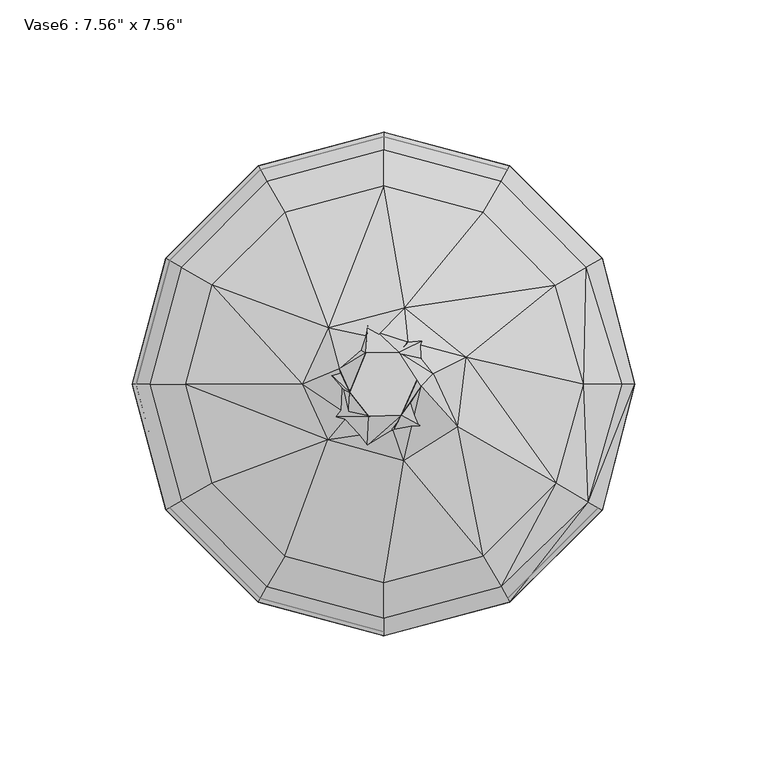
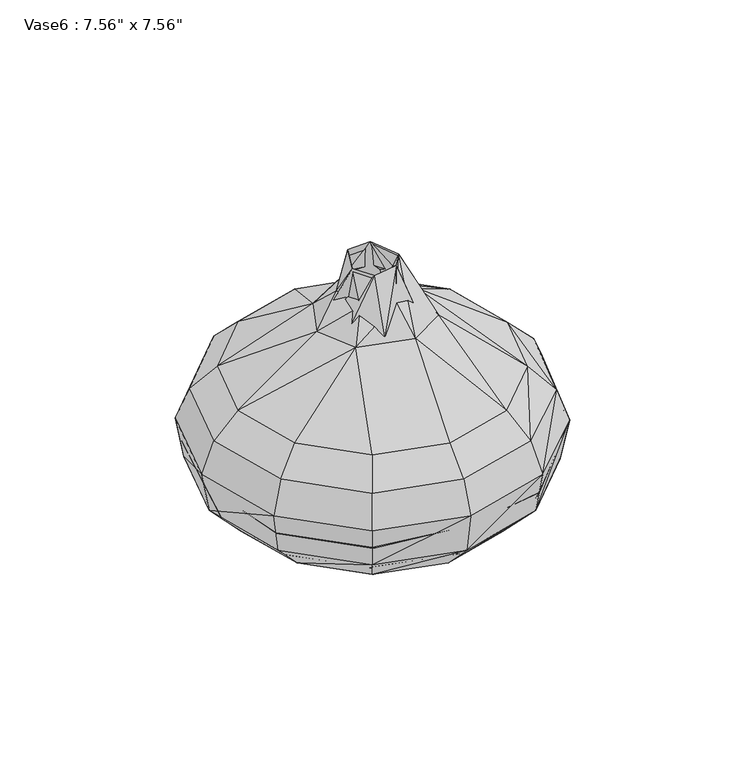
"""IFC4 building model written with IfcOpenShell, lengths in millimetres: furniture geometry."""

from ifc_helpers import new_model, si_unit, origin, place, context, project, spatial, triangles, source, transform, mapped, element, save


def furniture_26366ec1(model_context):
    return source(origin(), model_context, "Body", "Tessellation", [
        triangles([(0.020366, -73.258964, 13.1952111), (0.020366, -91.3290547, 31.6604494), (-36.361005, -63.0306004, 12.8936046), (-0.5828432, -37.7974067, 0.0), (36.4207261, -63.1060091, 12.9690054), (45.695076, -79.1402638, 31.6604494), (-45.6543445, -79.1402638, 31.6604494), (-63.166416, -36.4663833, 12.9690054), (-27.1620571, -27.1166361, 0.0), (-31.2337222, -54.1332646, 10.02836), (0.020366, -62.653593, 10.1037608), (10.4447329, -34.4305519, 2.262036), (-54.4198796, -31.4145046, 10.1791616), (-41.8088852, -72.4295543, 24.3128624), (-34.4005756, -10.6299721, 2.262036), (0.020366, -84.3921417, 25.3684756), (31.4252553, -54.4348678, 10.1791616), (41.774208, -72.4295543, 24.3128624), (58.3814746, -33.6765395, 11.9887906), (42.9052254, -20.8845333, 4.8256769), (72.9529053, -42.095273, 25.2930782), (49.2389277, -30.3588868, 5.7304909), (68.2780317, -39.4562353, 16.3203326), (78.7588009, -45.4883299, 30.6802335), (37.7025452, -0.1000079, 0.0), (-79.0950631, -45.7145289, 31.6604494), (-73.2891766, -0.0246068, 13.1952111), (-37.7372201, 0.5786032, 0.0), (-62.6386094, -0.0246068, 10.1037608), (-72.3843581, -41.7936699, 24.3128624), (31.8776622, 20.2321158, 2.262036), (64.9413758, -0.0246068, 8.5957366), (64.4889779, -0.0246068, 11.0839767), (-10.8564027, 34.3813453, 2.262036), (-54.1182764, 31.2144919, 10.02836), (-91.3290547, -0.0246068, 31.6604494), (-68.3126907, 39.4070241, 16.3203326), (-53.5904698, 30.9882906, 6.8615094), (-84.3921417, -0.0246068, 25.3684756), (-27.1620571, 27.1428291, 0.0), (0.5481743, 37.7482001, 0.0), (27.127389, 27.1428291, 0.0), (63.5087552, 36.6433824, 13.1952111), (57.0996533, 32.9487201, 11.9133898), (85.6392948, -0.0246068, 26.7257011), (87.2981235, -0.0246068, 24.9160709), (31.1990518, 54.0840625, 10.02836), (-31.4599234, 54.4610698, 10.1791616), (-72.3843581, 41.8198629, 24.3128624), (-36.4364047, 63.1322021, 12.9690054), (0.020366, 62.5289913, 10.1037608), (30.9728483, 53.631651, 6.8615094), (74.6117294, 43.1016842, 27.0273042), (41.774208, 72.3803567, 24.3128624), (39.4367734, 68.3086893, 16.3203326), (45.695076, 79.0910663, 31.6604494), (79.286603, 45.816126, 32.0374567), (0.020366, 73.2851707, 13.1952111), (-79.0950631, 45.6653267, 31.6604494), (-45.6543445, 79.0910663, 31.6604494), (-41.8088852, 72.3803567, 24.3128624), (0.020366, 84.4183301, 25.3684756), (0.020366, 91.3552523, 31.6604494), (0.020366, -93.6664938, 47.3021681), (46.5998854, -80.7728949, 43.1551057), (-46.6345626, -80.7728949, 43.1551057), (-80.7538917, -46.6193474, 43.1551057), (81.1152341, -46.8455508, 47.3021681), (93.4056267, -0.0246068, 44.2107235), (-93.6664938, -0.0246068, 47.3021681), (-80.7538917, 46.6455403, 43.1551057), (80.7382223, 46.6455403, 43.1551057), (94.5366442, -0.0246068, 39.5021764), (46.5998854, 80.7236701, 43.1551057), (-46.6345626, 80.7236701, 43.1551057), (0.020366, 93.6926823, 47.3021681), (47.7309029, -82.5825228, 54.4235585), (0.020366, -95.4007175, 54.4235585), (-47.6901759, -82.5825228, 54.4235585), (82.7740537, -47.7503648, 53.3342672), (-82.5825228, -47.6749606, 54.4235585), (-95.4007175, -0.0246068, 54.4235585), (82.6986495, 47.7011581, 53.9374781), (94.9890421, -0.0246068, 57.892015), (-82.5825228, 47.7011581, 54.4235585), (47.7309029, 82.6087113, 54.4235585), (-47.6901759, 82.6087113, 54.4235585), (0.020366, 95.426906, 54.4235585), (-46.8607661, -81.1498977, 51.2984313), (0.020366, -93.741898, 51.2984313), (-46.8607661, -81.1498977, 47.3021681), (-81.1498977, -46.8455508, 51.2984313), (-46.7099623, -80.84829, 55.1775732), (-81.1498977, -46.8455508, 47.3021681), (0.020366, -93.3648861, 55.1775732), (46.8260889, -81.1498977, 51.2984313), (46.8260889, -81.1498977, 47.3021681), (46.6752851, -80.84829, 55.1775732), (81.1906292, -46.8455508, 51.2984313), (80.8136265, -46.694747, 55.1775732), (-93.741898, -0.0246068, 51.2984313), (-80.84829, -46.694747, 55.1775732), (93.7072253, -0.0246068, 47.9053835), (93.4056267, -0.0246068, 54.7251616), (77.40158, -44.7343198, 70.9700958), (-81.1498977, 46.8717438, 51.2984313), (-93.3648861, -0.0246068, 55.1775732), (-81.1498977, 46.8717438, 47.3021681), (81.1152341, 46.8717438, 47.3021681), (81.1906292, 46.8717438, 51.2984313), (-46.8607661, 81.1760862, 51.2984313), (-80.84829, 46.6455403, 55.1775732), (-46.8607661, 81.1760862, 47.3021681), (46.8260889, 81.1760862, 47.3021681), (46.8260889, 81.1760862, 51.2984313), (80.8136265, 46.6455403, 55.1775732), (46.6752851, 80.8744785, 55.1775732), (76.5721611, 44.2327016, 72.251917), (44.3378505, 76.7536272, 72.025709), (0.020366, 93.6926823, 51.2984313), (-46.7099623, 80.8744785, 55.1775732), (0.020366, 93.3910837, 55.1775732), (0.020366, -88.6146129, 72.025709), (-44.2971236, -76.7274206, 72.025709), (-46.332955, -80.1958771, 58.796829), (44.3378505, -76.7274206, 72.025709), (46.2982823, -80.1958771, 58.796829), (80.191417, -46.3177397, 58.796829), (-80.2260896, -46.3177397, 58.796829), (-76.7576331, -44.2819128, 72.025709), (79.286603, -45.789933, 62.3406852), (92.0483967, -0.0246068, 60.9834597), (-88.6146129, -0.0246068, 72.025709), (79.286603, 45.816126, 62.3406852), (80.191417, 46.3439372, 58.796829), (90.1633646, -0.0246068, 69.8390828), (-76.7576331, 44.3081058, 72.025709), (-80.2260896, 46.3439372, 58.796829), (-46.332955, 80.2220746, 58.796829), (46.2982823, 80.2220746, 58.796829), (-44.2971236, 76.7536272, 72.025709), (0.020366, 88.6408013, 72.025709), (37.6271455, -65.1418405, 85.1791939), (0.020366, -75.2194003, 85.1791939), (-37.5864163, -65.1418405, 85.1791939), (65.1675838, -37.6466029, 85.1037988), (-65.1268523, -37.5712032, 85.1791939), (75.6673517, -0.0246068, 84.5759786), (-75.1742041, -0.0246068, 85.1791939), (-65.1268523, 37.5973985, 85.1791939), (37.6271455, 65.0926293, 85.1791939), (64.9413758, 37.4465924, 85.3299932), (-37.5864163, 65.0926293, 85.1791939), (0.020366, 75.1701982, 85.1791939), (7.5040858, -29.0016636, 116.4626405), (-21.3371674, -21.0353371, 116.4626405), (27.956801, -16.1342589, 115.3316231), (31.1990518, 10.0529542, 114.0497972), (-31.0075164, -0.0246068, 116.4626405), (-21.0355642, 21.3631355, 116.4626405), (7.9564928, 28.8770551, 116.4626405), (25.2423569, -43.6786975, 98.7850949), (39.0597661, -22.592564, 102.3289375), (43.6592401, -25.231604, 98.7850949), (-6.3133353, -23.1203706, 119.0262831), (-5.7855264, -12.2887984, 148.1230899), (6.5802709, -11.8363903, 149.4049157), (-21.4879712, -12.4396, 119.0262831), (16.5522305, -17.3406771, 119.0262831), (14.1393929, -0.85402, 146.9166683), (3.4888212, -17.4914798, 132.1797498), (-23.1657917, 6.3090944, 119.0262831), (-13.420043, -11.7609895, 132.1797498), (13.3853782, 3.4438489, 137.566921), (26.8257836, -0.0246068, 116.9150475), (18.7388635, 3.9716573, 130.5963436), (-16.8884995, 5.7058858, 132.1797498), (-12.967636, -3.191457, 149.4803108), (-6.1625326, 23.2219656, 119.0262831), (16.5522305, 17.3668712, 119.0262831), (-3.372688, 17.5176751, 132.1797498), (5.8262585, 11.9379841, 149.6311101), (9.1629122, 15.9342495, 132.1797498), (-6.8411431, 11.8625856, 149.3295115)], [[1, 2, 3], [1, 3, 4], [1, 4, 5], [1, 6, 2], [1, 5, 6], [3, 2, 7], [3, 8, 9], [3, 9, 4], [3, 7, 8], [10, 11, 12], [10, 13, 14], [10, 12, 15], [10, 15, 13], [10, 16, 11], [10, 14, 16], [11, 17, 12], [11, 16, 18], [11, 18, 17], [17, 19, 20], [17, 20, 12], [17, 18, 21], [17, 21, 19], [5, 4, 22], [5, 22, 23], [5, 23, 24], [5, 24, 6], [4, 9, 25], [4, 25, 22], [8, 26, 27], [8, 27, 28], [8, 28, 9], [8, 7, 26], [13, 15, 29], [13, 29, 30], [13, 30, 14], [9, 28, 25], [12, 20, 31], [12, 31, 15], [22, 25, 32], [22, 32, 23], [19, 33, 20], [19, 21, 33], [15, 31, 34], [15, 35, 29], [15, 34, 35], [20, 33, 31], [27, 36, 37], [27, 38, 28], [27, 37, 38], [27, 26, 36], [29, 35, 39], [29, 39, 30], [28, 38, 40], [28, 40, 25], [25, 40, 41], [25, 42, 43], [25, 43, 32], [25, 41, 42], [33, 44, 31], [33, 21, 45], [33, 45, 44], [32, 43, 46], [32, 46, 23], [31, 44, 47], [31, 47, 34], [35, 34, 48], [35, 48, 49], [35, 49, 39], [38, 50, 40], [38, 37, 50], [40, 50, 41], [34, 51, 48], [34, 47, 51], [42, 41, 52], [42, 52, 43], [44, 45, 53], [44, 53, 54], [44, 54, 47], [43, 52, 55], [43, 55, 56], [43, 56, 57], [43, 57, 46], [41, 50, 58], [41, 58, 52], [50, 37, 59], [50, 59, 60], [50, 60, 58], [48, 51, 61], [48, 61, 49], [51, 47, 62], [51, 62, 61], [52, 58, 55], [47, 54, 62], [58, 60, 63], [58, 63, 55], [16, 64, 65], [16, 14, 66], [16, 65, 18], [16, 66, 64], [14, 30, 66], [18, 65, 21], [30, 67, 66], [30, 39, 67], [23, 46, 24], [21, 68, 69], [21, 65, 68], [21, 69, 45], [39, 70, 67], [39, 49, 71], [39, 71, 70], [45, 72, 53], [45, 69, 72], [46, 57, 73], [46, 73, 24], [49, 61, 71], [37, 36, 59], [53, 72, 74], [53, 74, 54], [61, 62, 75], [61, 75, 71], [55, 63, 56], [54, 74, 62], [62, 76, 75], [62, 74, 76], [2, 6, 77], [2, 78, 7], [2, 77, 78], [7, 79, 26], [7, 78, 79], [6, 24, 80], [6, 80, 77], [26, 79, 81], [26, 81, 36], [24, 73, 80], [36, 81, 82], [36, 82, 59], [73, 57, 83], [73, 83, 84], [73, 84, 80], [59, 82, 85], [59, 85, 60], [57, 86, 83], [57, 56, 86], [60, 85, 87], [60, 87, 63], [56, 63, 88], [56, 88, 86], [63, 87, 88], [89, 90, 91], [89, 92, 93], [89, 94, 92], [89, 93, 95], [89, 95, 90], [91, 66, 67], [64, 90, 96], [64, 97, 65], [90, 95, 98], [90, 98, 96], [97, 96, 99], [96, 98, 100], [96, 100, 99], [92, 70, 101], [92, 102, 93], [92, 101, 102], [94, 67, 70], [68, 99, 103], [99, 100, 104], [99, 104, 103], [80, 84, 105], [80, 105, 77], [101, 106, 107], [101, 108, 106], [101, 107, 102], [69, 109, 72], [103, 104, 110], [106, 111, 112], [106, 113, 111], [106, 112, 107], [108, 71, 75], [72, 114, 74], [109, 110, 115], [110, 104, 116], [110, 116, 117], [110, 117, 115], [83, 118, 84], [83, 86, 119], [83, 119, 118], [111, 76, 120], [111, 120, 121], [111, 121, 112], [113, 75, 76], [120, 114, 115], [120, 115, 122], [120, 122, 121], [115, 117, 122], [79, 78, 123], [79, 123, 124], [79, 124, 81], [93, 102, 125], [78, 77, 126], [78, 126, 123], [98, 127, 128], [98, 128, 100], [77, 105, 126], [125, 102, 129], [81, 130, 82], [81, 124, 130], [131, 132, 128], [128, 132, 104], [82, 130, 133], [82, 133, 85], [132, 134, 135], [132, 135, 104], [84, 136, 105], [84, 118, 136], [85, 133, 137], [85, 137, 87], [112, 121, 138], [138, 121, 139], [135, 140, 116], [116, 140, 117], [87, 137, 141], [87, 141, 88], [88, 141, 142], [88, 142, 86], [86, 142, 119], [123, 143, 144], [123, 144, 124], [123, 126, 143], [124, 145, 130], [124, 144, 145], [126, 105, 146], [126, 146, 143], [130, 145, 147], [130, 147, 133], [105, 136, 148], [105, 148, 146], [133, 149, 137], [133, 147, 149], [136, 118, 148], [137, 150, 141], [137, 149, 150], [118, 119, 151], [118, 151, 152], [118, 152, 148], [141, 150, 153], [141, 153, 142], [119, 154, 151], [119, 142, 154], [142, 153, 154], [144, 143, 155], [144, 155, 145], [145, 155, 156], [145, 156, 147], [143, 146, 157], [143, 157, 155], [147, 156, 149], [146, 158, 157], [146, 148, 158], [149, 156, 159], [149, 159, 150], [148, 152, 158], [150, 159, 160], [150, 160, 153], [152, 151, 161], [152, 161, 158], [153, 160, 154], [151, 154, 161], [154, 160, 161], [162, 163, 164], [165, 166, 167], [165, 168, 166], [165, 167, 169], [155, 157, 170], [155, 170, 171], [155, 171, 156], [168, 172, 166], [156, 173, 159], [156, 171, 173], [169, 167, 174], [169, 174, 175], [157, 176, 170], [157, 158, 176], [159, 173, 177], [159, 177, 160], [172, 178, 166], [172, 179, 178], [175, 174, 180], [160, 181, 161], [160, 177, 181], [180, 174, 182], [180, 182, 179], [158, 183, 176], [158, 161, 183], [179, 182, 184], [179, 184, 178], [161, 181, 183], [173, 171, 166], [173, 166, 178], [173, 178, 177], [171, 170, 167], [171, 167, 166], [177, 178, 184], [177, 184, 181], [176, 183, 182], [176, 182, 170], [181, 182, 183], [181, 184, 182], [167, 170, 174], [174, 170, 182]], closed=False),
    ])


if __name__ == "__main__":
    model = new_model("IFC4")
    model_context = context("Model", 3, world=origin())
    ifc_project = project(units=[si_unit("LENGTHUNIT", "METRE", prefix="MILLI")], contexts=[model_context])
    site = spatial("IfcSite", under=ifc_project)
    building = spatial("IfcBuilding", under=site)
    placement = place(None, origin())
    furniture_shape = furniture_26366ec1(model_context)
    element("IfcFurniture", 1, ObjectType="Vase6 : 7.56\" x 7.56\"", at=placement, inside=building, context=model_context, shape_type="MappedRepresentation", body=[
        mapped(furniture_shape, transform((0.0, 0.0, 0.0), x_axis=(1.0, 0.0, 0.0), y_axis=(0.0, 1.0, 0.0), z_axis=(0.0, 0.0, 1.0))),
    ])
    save(model, "model.ifc")
